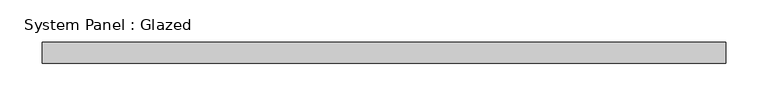
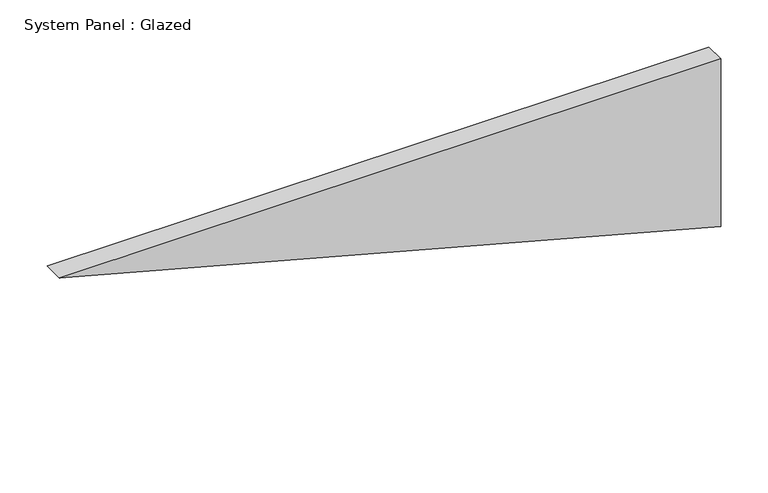
"""IFC4 building model written with IfcOpenShell, lengths in millimetres: plate geometry, System Panel : Glazed."""

from ifc_helpers import new_model, si_unit, frame, origin, place, context, project, spatial, polyline, outline, extrude, source, transform, mapped, element, save


def system_panel_glazed_05d0dc46(model_context):
    return source(origin(), model_context, "Body", "SweptSolid", [
        extrude(outline(polyline([(216.6371263, -404.2503811), (0.0, 404.2503811), (216.6371263, 404.2503811), (216.6371263, -404.2503811)])), frame((0.0, -2.5, 0.0), z_axis=(0.0, 1.0, 0.0), x_axis=(0.0, 0.0, 1.0)), (0.0, 0.0, 1.0), 25.0),
    ])


if __name__ == "__main__":
    model = new_model("IFC4")
    model_context = context("Model", 3, world=origin())
    ifc_project = project(units=[si_unit("LENGTHUNIT", "METRE", prefix="MILLI")], contexts=[model_context])
    site = spatial("IfcSite", under=ifc_project)
    building = spatial("IfcBuilding", under=site)
    placement = place(None, origin())
    system_panel_glazed_shape = system_panel_glazed_05d0dc46(model_context)
    element("IfcPlate", 1, ObjectType="System Panel : Glazed", at=placement, inside=building, context=model_context, shape_type="MappedRepresentation", body=[
        mapped(system_panel_glazed_shape, transform((0.0, 0.0, 0.0), x_axis=(1.0, 0.0, 0.0), y_axis=(0.0, 1.0, 0.0), z_axis=(0.0, 0.0, 1.0))),
    ])
    save(model, "model.ifc")
